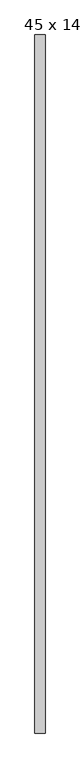
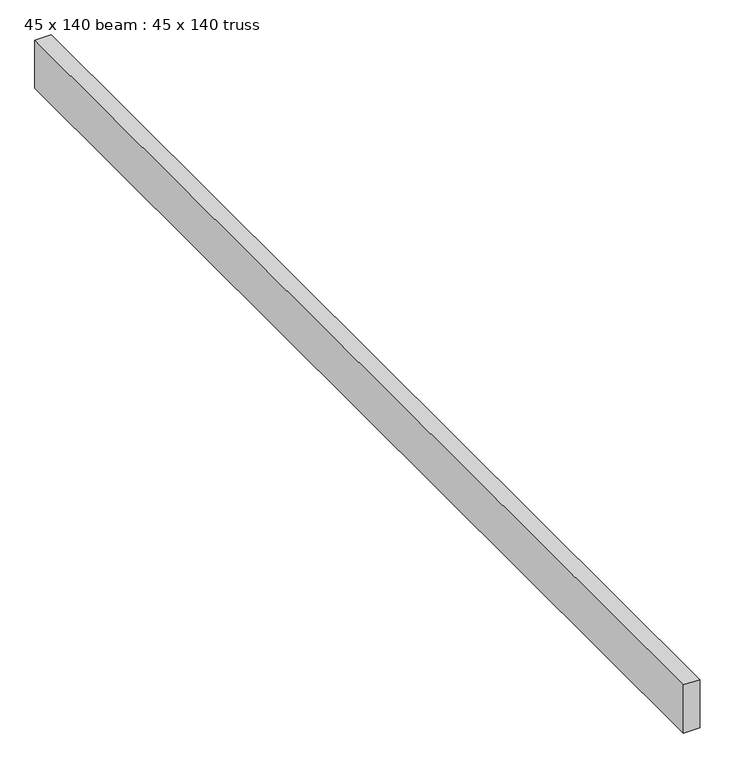
"""IFC4 building model written with IfcOpenShell, lengths in millimetres: proxy geometry, 45 x 140 beam : 45 x 140 truss."""

from ifc_helpers import new_model, si_unit, frame, origin, place, context, project, spatial, polyline, outline, extrude, source, transform, mapped, element, save


def proxy_45_x_140_beam_45_x_140_truss_69e12301(model_context):
    return source(origin(), model_context, "Body", "SweptSolid", [
        extrude(outline(polyline([(-11591.1071097, -1342.7120579), (-11636.1071097, -1342.7120579), (-11636.1071097, 1747.2879421), (-11591.1071097, 1747.2879421), (-11591.1071097, -1342.7120579)])), frame((0.0, 0.0, 3644.2452806), z_axis=(0.0, 0.0, 1.0), x_axis=(1.0, 0.0, 0.0)), (0.0, 0.0, 1.0), 140.0),
    ])


if __name__ == "__main__":
    model = new_model("IFC4")
    model_context = context("Model", 3, world=origin())
    ifc_project = project(units=[si_unit("LENGTHUNIT", "METRE", prefix="MILLI")], contexts=[model_context])
    site = spatial("IfcSite", under=ifc_project)
    building = spatial("IfcBuilding", under=site)
    placement = place(None, origin())
    proxy_45_x_140_beam_45_x_140_truss_shape = proxy_45_x_140_beam_45_x_140_truss_69e12301(model_context)
    element("IfcBuildingElementProxy", 1, Name="45 x 140 beam : 45 x 140 truss", ObjectType="45 x 140 beam : 45 x 140 truss", at=placement, inside=building, context=model_context, shape_type="MappedRepresentation", body=[
        mapped(proxy_45_x_140_beam_45_x_140_truss_shape, transform((0.0, 0.0, 0.0), x_axis=(1.0, 0.0, 0.0), y_axis=(0.0, 1.0, 0.0), z_axis=(0.0, 0.0, 1.0))),
    ])
    save(model, "model.ifc")
